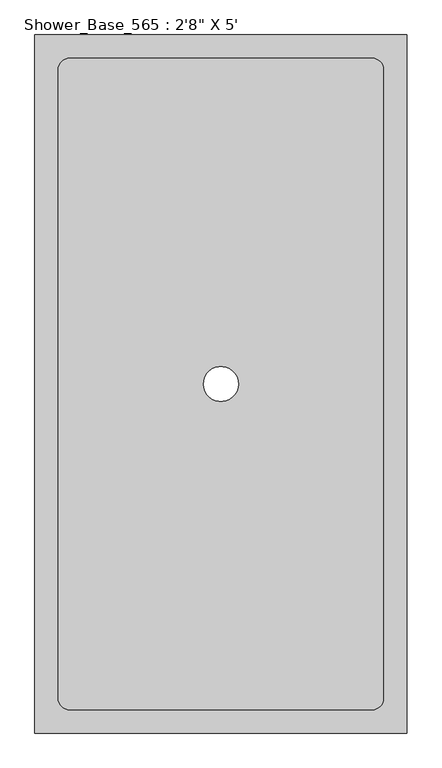
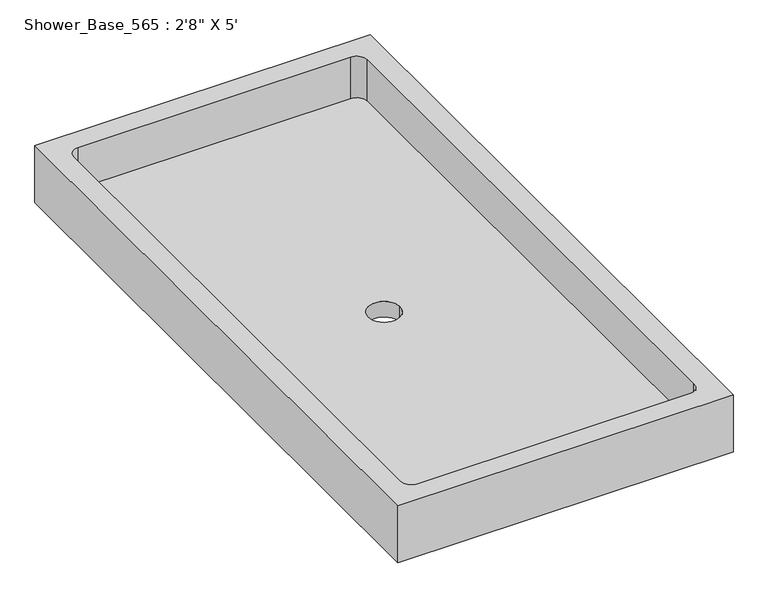
"""IFC4 building model written with IfcOpenShell, lengths in millimetres: flow terminal geometry."""

from ifc_helpers import new_model, si_unit, frame, origin, origin_with_axes, place, context, project, spatial, polyline, circle_curve, source, transform, mapped, element, save
from ifc_brep_helpers import plane_surface, revolved_surface, advanced_brep


def flow_terminal_3656d3b8(model_context):
    return source(origin(), model_context, "Body", "AdvancedBrep", [
        advanced_brep(
        [(406.4, 762.0, 146.05), (-406.4, 762.0, 146.05), (-406.4, -762.0, 146.05), (406.4, -762.0, 146.05), (355.6, -685.8, 146.05), (330.2, -711.2, 146.05), (-330.2, -711.2, 146.05), (-355.6, -685.8, 146.05), (-355.6, 685.8, 146.05), (-330.2, 711.2, 146.05), (330.2, 711.2, 146.05), (355.6, 685.8, 146.05), (406.4, 762.0, 0.0), (406.4, -762.0, 0.0), (-406.4, -762.0, 0.0), (-406.4, 762.0, 0.0), (-38.1, 0.0, 0.0), (38.1, 0.0, 0.0), (330.2, -711.2, 39.8652193), (355.6, -685.8, 39.8652193), (355.6, 685.8, 39.8652193), (330.2, 711.2, 39.8652193), (-330.2, 711.2, 39.8652193), (-355.6, 685.8, 39.8652193), (-355.6, -685.8, 39.8652193), (-330.2, -711.2, 39.8652193), (38.1, 0.0, 39.8652193), (-38.1, 0.0, 39.8652193)],
        [
            (0, 1),
            (1, 2),
            (2, 3),
            (3, 0),
            (4, 5, circle_curve(frame((330.2, -685.8, 146.05), z_axis=(0.0, 0.0, -1.0), x_axis=(1.0, 0.0, 0.0)), 25.4)),
            (5, 6),
            (6, 7, circle_curve(frame((-330.2, -685.8, 146.05), z_axis=(0.0, 0.0, -1.0), x_axis=(1.0, 0.0, 0.0)), 25.4)),
            (7, 8),
            (8, 9, circle_curve(frame((-330.2, 685.8, 146.05), z_axis=(0.0, 0.0, -1.0), x_axis=(1.0, 0.0, 0.0)), 25.4)),
            (9, 10),
            (10, 11, circle_curve(frame((330.2, 685.8, 146.05), z_axis=(0.0, 0.0, -1.0), x_axis=(1.0, 0.0, 0.0)), 25.4)),
            (11, 4),
            (12, 13),
            (13, 14),
            (14, 15),
            (15, 12),
            (16, 17, circle_curve(origin_with_axes(), 38.1)),
            (17, 16, circle_curve(origin_with_axes(), 38.1)),
            (0, 12),
            (15, 1),
            (14, 2),
            (13, 3),
            (18, 19, circle_curve(frame((330.2, -685.8, 39.8652193), z_axis=(0.0, 0.0, 1.0), x_axis=(1.0, 0.0, 0.0)), 25.4)),
            (19, 20),
            (20, 21, circle_curve(frame((330.2, 685.8, 39.8652193), z_axis=(0.0, 0.0, 1.0), x_axis=(1.0, 0.0, 0.0)), 25.4)),
            (21, 22),
            (22, 23, circle_curve(frame((-330.2, 685.8, 39.8652193), z_axis=(0.0, 0.0, 1.0), x_axis=(1.0, 0.0, 0.0)), 25.4)),
            (23, 24),
            (24, 25, circle_curve(frame((-330.2, -685.8, 39.8652193), z_axis=(0.0, 0.0, 1.0), x_axis=(1.0, 0.0, 0.0)), 25.4)),
            (25, 18),
            (26, 27, circle_curve(frame((0.0, 0.0, 39.8652193), z_axis=(0.0, 0.0, -1.0), x_axis=(1.0, 0.0, 0.0)), 38.1)),
            (27, 26, circle_curve(frame((0.0, 0.0, 39.8652193), z_axis=(0.0, 0.0, -1.0), x_axis=(1.0, 0.0, 0.0)), 38.1)),
            (18, 5),
            (4, 19),
            (11, 20),
            (10, 21),
            (9, 22),
            (8, 23),
            (7, 24),
            (6, 25),
            (16, 27),
            (26, 17),
        ],
        [
            plane_surface(frame((-406.4, 762.0, 146.05), z_axis=(0.0, 0.0, 1.0), x_axis=(-1.0, 0.0, 0.0))),
            plane_surface(frame((-406.4, 762.0, 0.0), z_axis=(0.0, 0.0, -1.0), x_axis=(1.0, 0.0, 0.0))),
            plane_surface(frame((406.4, 762.0, 146.05), z_axis=(0.0, 1.0, 0.0), x_axis=(0.0, 0.0, -1.0))),
            plane_surface(frame((-406.4, 762.0, 146.05), z_axis=(-1.0, 0.0, 0.0), x_axis=(0.0, 0.0, -1.0))),
            plane_surface(frame((-406.4, -762.0, 146.05), z_axis=(0.0, -1.0, 0.0), x_axis=(0.0, 0.0, -1.0))),
            plane_surface(frame((406.4, -762.0, 146.05), z_axis=(1.0, 0.0, 0.0), x_axis=(0.0, 0.0, -1.0))),
            plane_surface(frame((355.6, -685.8, 39.8652193), z_axis=(0.0, 0.0, 1.0), x_axis=(0.0, -1.0, 0.0))),
            revolved_surface(polyline([(355.59999999999997, -685.8, 146.05), (355.59999999999997, -685.8, 39.8652193)]), (330.2, -685.8, 39.8652193), (0.0, 0.0, 1.0)),
            plane_surface(frame((355.6, -685.8, 146.05), z_axis=(-1.0, 0.0, 0.0), x_axis=(0.0, 0.0, -1.0))),
            revolved_surface(polyline([(355.59999999999997, 685.8, 146.05), (355.59999999999997, 685.8, 39.8652193)]), (330.2, 685.8, 39.8652193), (0.0, 0.0, 1.0)),
            plane_surface(frame((330.2, 711.2, 146.05), z_axis=(0.0, -1.0, 0.0), x_axis=(0.0, 0.0, -1.0))),
            revolved_surface(polyline([(-304.8, 685.8, 146.05), (-304.8, 685.8, 39.8652193)]), (-330.2, 685.8, 39.8652193), (0.0, 0.0, 1.0)),
            plane_surface(frame((-355.6, 685.8, 146.05), z_axis=(1.0, 0.0, 0.0), x_axis=(0.0, 0.0, -1.0))),
            revolved_surface(polyline([(-304.8, -685.8, 146.05), (-304.8, -685.8, 39.8652193)]), (-330.2, -685.8, 39.8652193), (0.0, 0.0, 1.0)),
            plane_surface(frame((-330.2, -711.2, 146.05), z_axis=(0.0, 1.0, 0.0), x_axis=(0.0, 0.0, -1.0))),
            revolved_surface(polyline([(38.1, 0.0, 39.8652193), (38.1, 0.0, 0.0)]), (0.0, 0.0, 0.0), (0.0, 0.0, 1.0)),
        ],
        [
            (0, [[1, 2, 3, 4], [5, 6, 7, 8, 9, 10, 11, 12]]),
            (1, [[13, 14, 15, 16], [17, 18]]),
            (2, [[-1, 19, -16, 20]]),
            (3, [[-2, -20, -15, 21]]),
            (4, [[-3, -21, -14, 22]]),
            (5, [[-4, -22, -13, -19]]),
            (6, [[23, 24, 25, 26, 27, 28, 29, 30], [31, 32]]),
            (7, [[-23, 33, -5, 34]]),
            (8, [[-24, -34, -12, 35]]),
            (9, [[-25, -35, -11, 36]]),
            (10, [[-26, -36, -10, 37]]),
            (11, [[-27, -37, -9, 38]]),
            (12, [[-28, -38, -8, 39]]),
            (13, [[-29, -39, -7, 40]]),
            (14, [[-30, -40, -6, -33]]),
            (15, [[41, -31, 42, -17]]),
            (15, [[-41, -18, -42, -32]]),
        ],
    ),
    ])


if __name__ == "__main__":
    model = new_model("IFC4")
    model_context = context("Model", 3, world=origin())
    ifc_project = project(units=[si_unit("LENGTHUNIT", "METRE", prefix="MILLI")], contexts=[model_context])
    site = spatial("IfcSite", under=ifc_project)
    building = spatial("IfcBuilding", under=site)
    placement = place(None, origin())
    flow_terminal_shape = flow_terminal_3656d3b8(model_context)
    element("IfcFlowTerminal", 1, ObjectType="Shower_Base_565 : 2'8\" X 5'", at=placement, inside=building, context=model_context, shape_type="MappedRepresentation", body=[
        mapped(flow_terminal_shape, transform((0.0, 0.0, 0.0), x_axis=(1.0, 0.0, 0.0), y_axis=(0.0, 1.0, 0.0), z_axis=(0.0, 0.0, 1.0))),
    ])
    save(model, "model.ifc")
